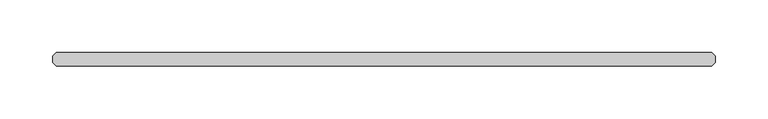
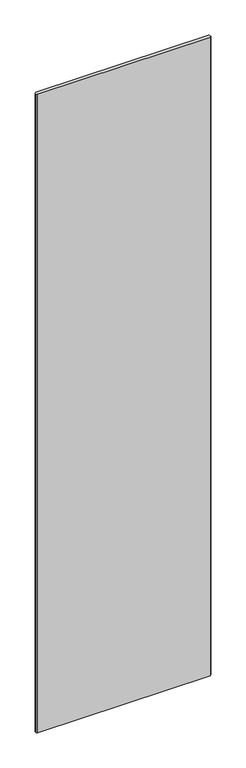
"""IFC4 building model written with IfcOpenShell, lengths in millimetres: plate geometry."""

from ifc_helpers import new_model, si_unit, origin, origin_with_axes, place, context, project, spatial, polyline, outline, extrude, source, transform, mapped, element, save


def plate_3df365ff(model_context):
    return source(origin(), model_context, "Body", "SweptSolid", [
        extrude(outline(polyline([(310.753125, -6.35), (-310.753125, -6.35), (-313.928125, -3.175), (-313.928125, 3.175), (-310.753125, 6.35), (310.753125, 6.35), (313.928125, 3.175), (313.928125, -3.175), (310.753125, -6.35)])), origin_with_axes(), (0.0, 0.0, 1.0), 2427.1914267),
    ])


if __name__ == "__main__":
    model = new_model("IFC4")
    model_context = context("Model", 3, world=origin())
    ifc_project = project(units=[si_unit("LENGTHUNIT", "METRE", prefix="MILLI")], contexts=[model_context])
    site = spatial("IfcSite", under=ifc_project)
    building = spatial("IfcBuilding", under=site)
    placement = place(None, origin())
    plate_shape = plate_3df365ff(model_context)
    element("IfcPlate", 1, at=placement, inside=building, context=model_context, shape_type="MappedRepresentation", body=[
        mapped(plate_shape, transform((0.0, 0.0, 0.0), x_axis=(1.0, 0.0, 0.0), y_axis=(0.0, 1.0, 0.0), z_axis=(0.0, 0.0, 1.0))),
    ])
    save(model, "model.ifc")
